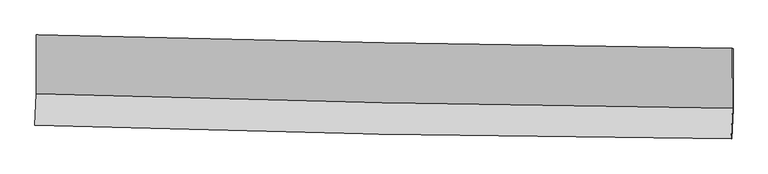
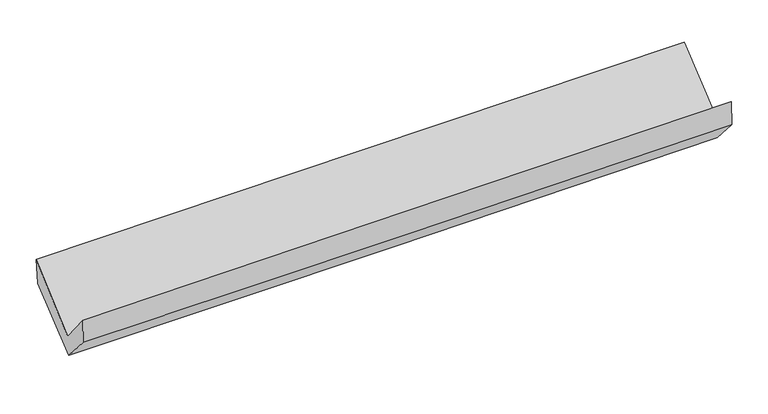
"""IFC4 building model written with IfcOpenShell, lengths in millimetres: proxy geometry."""

import ifcopenshell
import ifcopenshell.guid

model = None  # the IFC model being written
_history = None  # IfcOwnerHistory: only IFC2X3 demands one
_inside = {}  # id of a spatial element -> (the spatial element, [elements in it])
_under = {}  # id of a project, library or spatial element -> (it, [spatial elements below it])
_declared = {}  # id of a project -> (the project, [libraries it declares])
_typed = {}  # id of a type object -> (the type object, [elements of that type])
_made_of = {}  # id of a material, layer set ... -> (it, [elements and type objects made of it])


def new_model(schema):
    """Start an empty IFC model of exactly this schema.

    Asked for "IFC4X3", IfcOpenShell would pick the latest addendum, in which some entities
    have other attributes; the version numbers below select the first issue.
    IFC2X3 requires an IfcOwnerHistory on every rooted entity: one is made here for all.
    """
    global model, _history
    if schema == "IFC4X3":
        model = ifcopenshell.file(schema_version=(4, 3, 0, 0))
    else:
        model = ifcopenshell.file(schema=schema)
    _inside.clear()
    _under.clear()
    _declared.clear()
    _typed.clear()
    _made_of.clear()
    _history = None
    if model.schema == "IFC2X3":
        org = make("IfcOrganization", Name="unknown")
        user = make(
            "IfcPersonAndOrganization",
            ThePerson=make("IfcPerson", FamilyName="unknown"),
            TheOrganization=org,
        )
        app = make(
            "IfcApplication",
            ApplicationDeveloper=org,
            Version="unknown",
            ApplicationFullName="unknown",
            ApplicationIdentifier="unknown",
        )
        _history = make(
            "IfcOwnerHistory",
            OwningUser=user,
            OwningApplication=app,
            ChangeAction="ADDED",
            CreationDate=0,
        )
    return model


def make(cls, **values):
    """One entity of the class cls with the attributes given. An attribute that is None is left unset."""
    return model.create_entity(
        cls, **{name: value for name, value in values.items() if value is not None}
    )


def rooted(cls, **values):
    """An entity with a GlobalId (a new one), such as an element, a storey or a relation."""
    return make(cls, GlobalId=ifcopenshell.guid.new(), OwnerHistory=_history, **values)


def si_unit(unit_type, name, prefix=None):
    """IfcSIUnit, for example si_unit("LENGTHUNIT", "METRE", prefix="MILLI")."""
    return make("IfcSIUnit", UnitType=unit_type, Prefix=prefix, Name=name)


def assignment(units):
    """IfcUnitAssignment: the units of a project."""
    return None if units is None else make("IfcUnitAssignment", Units=units)


def point(xyz):
    """IfcCartesianPoint."""
    return None if xyz is None else make("IfcCartesianPoint", Coordinates=xyz)


def direction(xyz):
    """IfcDirection."""
    return None if xyz is None else make("IfcDirection", DirectionRatios=xyz)


def frame(location, z_axis=None, x_axis=None):
    """IfcAxis2Placement3D, a coordinate frame: its origin and axes. An axis left out is left unset."""
    return make(
        "IfcAxis2Placement3D",
        Location=point(location),
        Axis=direction(z_axis),
        RefDirection=direction(x_axis),
    )


def origin():
    """The frame at (0, 0, 0) with its axes left unset."""
    return frame((0.0, 0.0, 0.0))


def place(relative_to, where):
    """IfcLocalPlacement: puts the frame where relative to a parent placement (None: the world)."""
    return make(
        "IfcLocalPlacement", PlacementRelTo=relative_to, RelativePlacement=where
    )


def context(
    kind, dimensions, precision=None, world=None, true_north=None, identifier=None
):
    """IfcGeometricRepresentationContext, for example the 3D "Model" context."""
    return make(
        "IfcGeometricRepresentationContext",
        ContextIdentifier=identifier,
        ContextType=kind,
        CoordinateSpaceDimension=dimensions,
        Precision=precision,
        WorldCoordinateSystem=world,
        TrueNorth=true_north,
    )


def project(units=None, contexts=None):
    """IfcProject with its units and contexts."""
    return rooted(
        "IfcProject",
        Name="project",
        RepresentationContexts=contexts,
        UnitsInContext=assignment(units),
    )


def spatial(cls, under=None, at=None, **own):
    """A site, building, storey or space (cls), placed at a placement, below another one or the project."""
    s = rooted(cls, ObjectPlacement=at, **own)
    if under is not None:
        _under.setdefault(under.id(), (under, []))[1].append(s)
    return s


def shape(context_of_items, identifier, shape_type, items):
    """IfcShapeRepresentation: the items that make up one representation, for example the "Body"."""
    return make(
        "IfcShapeRepresentation",
        ContextOfItems=context_of_items,
        RepresentationIdentifier=identifier,
        RepresentationType=shape_type,
        Items=items,
    )


def source(mapping_origin, context_of_items, identifier, shape_type, items):
    """IfcRepresentationMap: a shape defined once, which mapped items show again and again."""
    return make(
        "IfcRepresentationMap",
        MappingOrigin=mapping_origin,
        MappedRepresentation=shape(context_of_items, identifier, shape_type, items),
    )


def transform(
    local_origin,
    x_axis=None,
    y_axis=None,
    z_axis=None,
    scale=None,
    scale2=None,
    scale3=None,
    uniform=True,
):
    """IfcCartesianTransformationOperator3D, or its non-uniform kind. x_axis, y_axis, z_axis: its Axis1, 2, 3."""
    if uniform:
        return make(
            "IfcCartesianTransformationOperator3D",
            Axis1=direction(x_axis),
            Axis2=direction(y_axis),
            LocalOrigin=point(local_origin),
            Scale=scale,
            Axis3=direction(z_axis),
        )
    return make(
        "IfcCartesianTransformationOperator3DnonUniform",
        Axis1=direction(x_axis),
        Axis2=direction(y_axis),
        LocalOrigin=point(local_origin),
        Scale=scale,
        Axis3=direction(z_axis),
        Scale2=scale2,
        Scale3=scale3,
    )


def mapped(mapping_source, mapping_target):
    """IfcMappedItem: shows the shape of a source again, moved by a transform."""
    return make(
        "IfcMappedItem", MappingSource=mapping_source, MappingTarget=mapping_target
    )


def made_of(thing, what):
    """Note that an element or type object is made of a material, layer set ...; save() writes the relation."""
    if what is not None:
        _made_of.setdefault(what.id(), (what, []))[1].append(thing)
    return thing


def element(
    cls,
    number,
    at=None,
    inside=None,
    cuts=None,
    type_object=None,
    material=None,
    context=None,
    identifier="Body",
    shape_type=None,
    held_by="IfcProductDefinitionShape",
    body=None,
    shapes=None,
    **own,
):
    """One element of the class cls, such as IfcWall. Its Tag is "e" and its number.

    at: its placement. inside: the storey or other place that contains it. cuts: it is an
    opening in that element (IfcRelVoidsElement). A single representation is given by context,
    identifier, shape_type and body (its items); several are given by shapes. held_by: the class
    of the entity that holds the representations. save() writes the other relations.
    """
    e = rooted(cls, Tag="e%d" % number, ObjectPlacement=at, **own)
    if body is not None:
        shapes = [shape(context, identifier, shape_type, body)]
    if shapes is not None:
        e.Representation = make(held_by, Representations=shapes)
    if inside is not None:
        _inside.setdefault(inside.id(), (inside, []))[1].append(e)
    if cuts is not None:
        rooted(
            "IfcRelVoidsElement", RelatingBuildingElement=cuts, RelatedOpeningElement=e
        )
    if type_object is not None:
        _typed.setdefault(type_object.id(), (type_object, []))[1].append(e)
    return made_of(e, material)


def aggregate(whole, parts):
    """IfcRelAggregates: a whole, such as a stair, and the parts it consists of."""
    return rooted("IfcRelAggregates", RelatingObject=whole, RelatedObjects=parts)


def save(model, path):
    """Write the relations noted so far, then the file.

    IfcRelAggregates (storeys below a building ...), IfcRelContainedInSpatialStructure (elements
    in a storey), IfcRelDefinesByType, IfcRelAssociatesMaterial and IfcRelDeclares: one each for
    every whole, place, type object, material and project.
    """
    for whole, parts in _under.values():
        aggregate(whole, parts)
    for where, things in _inside.values():
        rooted(
            "IfcRelContainedInSpatialStructure",
            RelatedElements=things,
            RelatingStructure=where,
        )
    for kind, things in _typed.values():
        rooted("IfcRelDefinesByType", RelatedObjects=things, RelatingType=kind)
    for what, things in _made_of.values():
        rooted("IfcRelAssociatesMaterial", RelatedObjects=things, RelatingMaterial=what)
    for by, libraries in _declared.values():
        rooted("IfcRelDeclares", RelatingContext=by, RelatedDefinitions=libraries)
    model.write(path)


def plane_surface(at):
    """IfcPlane: the flat surface through the origin of the frame at, square to its z axis."""
    return make("IfcPlane", Position=at)


def spline_curve(degree, points, multiplicities, knots, weights=None):
    """IfcBSplineCurveWithKnots; with weights, IfcRationalBSplineCurveWithKnots."""
    own = dict(
        Degree=degree,
        ControlPointsList=[point(p) for p in points],
        CurveForm="UNSPECIFIED",
        ClosedCurve=False,
        SelfIntersect=False,
        KnotMultiplicities=multiplicities,
        Knots=knots,
        KnotSpec="UNSPECIFIED",
    )
    if weights is None:
        return make("IfcBSplineCurveWithKnots", **own)
    return make("IfcRationalBSplineCurveWithKnots", WeightsData=weights, **own)


def spline_surface(u_degree, v_degree, points, u_multiplicities, v_multiplicities, u_knots, v_knots, weights=None):
    """IfcBSplineSurfaceWithKnots; with weights, IfcRationalBSplineSurfaceWithKnots. points: one row for each step in u."""
    own = dict(
        UDegree=u_degree,
        VDegree=v_degree,
        ControlPointsList=[[point(p) for p in row] for row in points],
        SurfaceForm="UNSPECIFIED",
        UClosed=False,
        VClosed=False,
        SelfIntersect=False,
        UMultiplicities=u_multiplicities,
        VMultiplicities=v_multiplicities,
        UKnots=u_knots,
        VKnots=v_knots,
        KnotSpec="UNSPECIFIED",
    )
    if weights is None:
        return make("IfcBSplineSurfaceWithKnots", **own)
    return make("IfcRationalBSplineSurfaceWithKnots", WeightsData=weights, **own)


def advanced_brep(points, edges, surfaces, faces):
    """IfcAdvancedBrep: a solid bounded by faces that lie on surfaces and meet in shared edges.

    An edge is (start, end): straight between two places in points (the first is 0);
    or (start, end, curve); or (start, end, curve, False) where it runs against its curve.
    A face is (place in surfaces, loops), or (place, loops, False) where it looks against
    its surface's normal. A loop lists edges by number (the first is 1), with a minus sign
    where the edge is run from its end to its start. The first loop is the outer one.
    """
    corners = [point(p) for p in points]
    vertices = [make("IfcVertexPoint", VertexGeometry=c) for c in corners]
    made = []
    for start, end, *more in edges:
        made.append(
            make(
                "IfcEdgeCurve",
                EdgeStart=vertices[start],
                EdgeEnd=vertices[end],
                EdgeGeometry=more[0] if more else make("IfcPolyline", Points=[corners[start], corners[end]]),
                SameSense=more[1] if len(more) > 1 else True,
            )
        )
    hull = []
    for where, loops, *sense in faces:
        bounds = []
        for j, loop in enumerate(loops):
            ring = [make("IfcOrientedEdge", EdgeElement=made[abs(k) - 1], Orientation=k > 0) for k in loop]
            bounds.append(
                make(
                    "IfcFaceOuterBound" if j == 0 else "IfcFaceBound",
                    Bound=make("IfcEdgeLoop", EdgeList=ring),
                    Orientation=True,
                )
            )
        hull.append(make("IfcAdvancedFace", Bounds=bounds, FaceSurface=surfaces[where], SameSense=sense[0] if sense else True))
    return make("IfcAdvancedBrep", Outer=make("IfcClosedShell", CfsFaces=hull))


def generic_models_a2cfbff2(model_context):
    return source(origin(), model_context, "Body", "AdvancedBrep", [
        advanced_brep(
        [(-3015.3014028, -1155.7971837, 2198.7371949), (-3013.593969, -1664.6053274, 1741.8568949), (3003.3869862, -1789.365775, 1886.7563456), (3002.4266167, -1272.6644293, 2318.5968493), (-3026.3574423, -1935.2416451, 2066.6574798), (2990.9409726, -2053.2489031, 2203.4948497), (-3020.8544474, -1929.3402161, 1842.5817706), (2996.3881402, -2052.8598393, 1977.5562633), (-3009.3332723, -1676.6851618, 1555.7367151), (3008.0659359, -1796.7701518, 1686.8117902), (-3009.9304692, -1170.9515733, 1964.1739886), (3007.4503723, -1275.4827262, 2107.8105524)],
        [
            (0, 1),
            (1, 2, spline_curve(3, [(-3013.593969, -1664.6053274, 1741.8568949), (-2011.210117498, -1695.700384769, 1776.663651875), (-1008.602331948, -1721.644625398, 1806.141995182), (997.057988164, -1763.231409526, 1854.441778903), (2000.110520959, -1778.873984598, 1873.263252461), (3003.3869862, -1789.365775, 1886.7563456)], [4, 2, 4], [0.0, 9.875523232692839, 19.75101574879205])),
            (2, 3),
            (3, 0, spline_curve(3, [(3002.4266167, -1272.6644293, 2318.5968493), (1999.269907606, -1258.299419709, 2303.068103442), (996.214997644, -1241.377997151, 2285.315445037), (-1009.694342615, -1202.422264265, 2245.362240428), (-2012.548772597, -1180.387938699, 2223.161680981), (-3015.3014028, -1155.7971837, 2198.7371949)], [4, 2, 4], [0.0, 9.87549251609921, 19.75101574879205])),
            (1, 4),
            (4, 5, spline_curve(3, [(-3026.3574423, -1935.2416451, 2066.6574798), (-2024.027900278, -1967.477013386, 2102.854831256), (-1021.42081429, -1993.428641222, 2132.356628664), (984.345325942, -2032.764355003, 2177.9690434), (1987.504378091, -2046.14847967, 2194.079702962), (2990.9409726, -2053.2489031, 2203.4948497)], [4, 2, 4], [0.0, 9.875700339779614, 19.75136996241473])),
            (5, 2),
            (4, 6),
            (6, 7, spline_curve(3, [(-3020.8544474, -1929.3402161, 1842.5817706), (-2018.031717683, -1953.059207479, 1864.756144212), (-1015.182690515, -1975.212018939, 1887.091223094), (990.564838795, -2016.385216629, 1932.082721536), (1993.463341099, -2035.405613371, 1954.739140458), (2996.3881402, -2052.8598393, 1977.5562633)], [4, 2, 4], [0.0, 9.875498084389674, 19.75096545226394])),
            (7, 5),
            (6, 8),
            (8, 9, spline_curve(3, [(-3009.3332723, -1676.6851618, 1555.7367151), (-2006.534223576, -1700.923473253, 1578.500684547), (-1003.683985566, -1723.049724046, 1600.805608653), (1002.115750965, -1763.078040702, 1644.497297398), (2005.06524874, -1780.980120291, 1665.884065083), (3008.0659359, -1796.7701518, 1686.8117902)], [4, 2, 4], [0.0, 9.875398389056409, 19.750766061907502])),
            (9, 7),
            (8, 10),
            (10, 11, spline_curve(3, [(-3009.9304692, -1170.9515733, 1964.1739886), (-2007.131423027, -1195.187787917, 1986.939651745), (-1004.282716551, -1216.01683293, 2010.292216491), (1001.51089736, -1250.860529482, 2058.171074449), (2004.455804871, -1264.875202002, 2082.69736453), (3007.4503723, -1275.4827262, 2107.8105524)], [4, 2, 4], [0.0, 9.87539599100416, 19.750761265810464])),
            (11, 9),
            (10, 0),
            (3, 11),
        ],
        [
            spline_surface(3, 3, [[(-3015.3014028, -1155.7971837, 2198.7371949), (-2012.548772707, -1180.3879386, 2223.161680952), (-1009.694342713, -1202.422264396, 2245.362240582), (996.214997742, -1241.37799702, 2285.315444883), (1999.269907604, -1258.299419771, 2303.068103381), (3002.4266167, -1272.6644293, 2318.5968493)], [(-3014.732258184, -1325.399898251, 2046.443761554), (-2012.102554243, -1352.158753972, 2074.329004599), (-1009.330339079, -1375.496384787, 2098.955492096), (996.495994486, -1415.329134477, 2141.690889554), (1999.550112036, -1431.824274657, 2159.799819779), (3002.746739888, -1444.898211191, 2174.650014735)], [(-3014.163113616, -1495.002612849, 1894.150328246), (-2011.656335827, -1523.929569392, 1925.496328283), (-1008.966335419, -1548.57050516, 1952.548743643), (996.776991257, -1589.280271917, 1998.066334257), (1999.830316405, -1605.34912957, 2016.53153617), (3003.066863012, -1617.131993109, 2030.703180165)], [(-3013.593969, -1664.6053274, 1741.8568949), (-2011.210117363, -1695.700384764, 1776.663651931), (-1008.602331785, -1721.64462555, 1806.141995157), (997.057988001, -1763.231409375, 1854.441778928), (2000.110520837, -1778.873984456, 1873.263252567), (3003.3869862, -1789.365775, 1886.7563456)]], [4, 4], [4, 2, 4], [0.0, 2.2257216114967746], [0.0, 9.875523232692839, 19.75101574879205]),
            spline_surface(3, 3, [[(-3013.593969, -1664.6053274, 1741.8568949), (-2011.210117363, -1695.700384764, 1776.663651931), (-1008.602331785, -1721.64462555, 1806.141995157), (997.057988001, -1763.231409375, 1854.441778928), (2000.110520837, -1778.873984456, 1873.263252567), (3003.3869862, -1789.365775, 1886.7563456)], [(-3017.848460099, -1754.817433312, 1850.123756525), (-2015.482711616, -1786.292594344, 1885.394045056), (-1012.875159251, -1812.239297485, 1914.880206285), (992.820433939, -1853.075724563, 1962.284200459), (1995.90847328, -1867.965482892, 1980.202069333), (2999.238314978, -1877.326817721, 1992.335846938)], [(-3022.102951201, -1845.029539188, 1958.390618175), (-2019.755305873, -1876.884803887, 1994.124438208), (-1017.147986707, -1902.833969385, 2023.618417414), (988.582879886, -1942.920039717, 2070.126621991), (1991.706425788, -1957.056981265, 2087.140886184), (2995.089643822, -1965.287860379, 2097.915348362)], [(-3026.3574423, -1935.2416451, 2066.6574798), (-2024.027900126, -1967.477013466, 2102.854831333), (-1021.420814173, -1993.42864132, 2132.356628542), (984.345325824, -2032.764354906, 2177.969043522), (1987.50437823, -2046.148479702, 2194.079702951), (2990.9409726, -2053.2489031, 2203.4948497)]], [4, 4], [4, 2, 4], [0.0, 1.3879159211594998], [0.0, 9.875700339779614, 19.75136996241473]),
            spline_surface(3, 3, [[(-3026.3574423, -1935.2416451, 2066.6574798), (-2024.027900126, -1967.477013466, 2102.854831333), (-1021.420814173, -1993.42864132, 2132.356628542), (984.345325824, -2032.764354906, 2177.969043522), (1987.50437823, -2046.148479702, 2194.079702951), (2990.9409726, -2053.2489031, 2203.4948497)], [(-3024.523110685, -1933.274502103, 1991.965576746), (-2022.029172637, -1962.671078168, 2023.488602287), (-1019.341439636, -1987.356433809, 2050.601493385), (986.418496812, -2027.304642194, 2096.006936225), (1989.490699144, -2042.567524221, 2114.299515409), (2992.756695134, -2053.119215156, 2128.181987577)], [(-3022.688779015, -1931.307359097, 1917.273673654), (-2020.030445093, -1957.86514286, 1944.122373202), (-1017.262065072, -1981.284226303, 1968.846358191), (988.491667828, -2021.844929488, 2014.044828892), (1991.477020057, -2038.986568771, 2034.519327835), (2994.572417666, -2052.989527244, 2052.869125423)], [(-3020.8544474, -1929.3402161, 1842.5817706), (-2018.031717604, -1953.059207562, 1864.756144156), (-1015.182690536, -1975.212018791, 1887.091223034), (990.564838816, -2016.385216777, 1932.082721596), (1993.463340971, -2035.40561329, 1954.739140294), (2996.3881402, -2052.8598393, 1977.5562633)]], [4, 4], [4, 2, 4], [0.0, 0.8079498355714718], [0.0, 9.875498084389674, 19.75096545226394]),
            spline_surface(3, 3, [[(-3020.8544474, -1929.3402161, 1842.5817706), (-2018.031717604, -1953.059207562, 1864.756144156), (-1015.182690536, -1975.212018791, 1887.091223034), (990.564838816, -2016.385216777, 1932.082721596), (1993.463340971, -2035.40561329, 1954.739140294), (2996.3881402, -2052.8598393, 1977.5562633)], [(-3017.014055704, -1845.121864678, 1746.966752101), (-2014.199219646, -1869.013962847, 1769.337657656), (-1011.349788851, -1891.15792052, 1791.662684889), (994.415142852, -1931.949491459, 1836.220913547), (1997.33064358, -1950.597115616, 1858.454115271), (3000.280738795, -1967.496610136, 1880.641438944)], [(-3013.173663996, -1760.903513222, 1651.351733599), (-2010.366721676, -1784.968718097, 1673.919171154), (-1007.516887188, -1807.103822222, 1696.234146746), (998.265446867, -1847.513766115, 1740.359105499), (2001.197946104, -1865.788617932, 1762.169090217), (3004.173337305, -1882.133380964, 1783.726614556)], [(-3009.3332723, -1676.6851618, 1555.7367151), (-2006.534223717, -1700.923473382, 1578.500684654), (-1003.683985504, -1723.04972395, 1600.805608601), (1002.115750903, -1763.078040798, 1644.49729745), (2005.065248714, -1780.980120257, 1665.884065194), (3008.0659359, -1796.7701518, 1686.8117902)]], [4, 4], [4, 2, 4], [0.0, 1.2550645272320522], [0.0, 9.875398389056409, 19.750766061907502]),
            spline_surface(3, 3, [[(-3009.3332723, -1676.6851618, 1555.7367151), (-2006.534223717, -1700.923473382, 1578.500684654), (-1003.683985504, -1723.04972395, 1600.805608601), (1002.115750903, -1763.078040798, 1644.49729745), (2005.065248714, -1780.980120257, 1665.884065194), (3008.0659359, -1796.7701518, 1686.8117902)], [(-3009.532337914, -1508.107298949, 1691.882472923), (-2006.733290156, -1532.344911561, 1714.647006975), (-1003.883562546, -1554.038760272, 1737.301144499), (1001.914133103, -1592.338870323, 1782.388556488), (2004.862100763, -1608.945147526, 1804.821831627), (3007.860748023, -1623.007676612, 1827.144710938)], [(-3009.731403586, -1339.529436151, 1828.028230777), (-2006.932356654, -1363.766349794, 1850.793329326), (-1004.083139621, -1385.027796656, 1873.796680437), (1001.712515271, -1421.599699909, 1920.279815567), (2004.658952842, -1436.910174758, 1943.759598045), (3007.655560177, -1449.245201388, 1967.477631662)], [(-3009.9304692, -1170.9515733, 1964.1739886), (-2007.131423093, -1195.187787972, 1986.939651647), (-1004.282716662, -1216.016832978, 2010.292216334), (1001.510897471, -1250.860529433, 2058.171074605), (2004.455804891, -1264.875202027, 2082.697364478), (3007.4503723, -1275.4827262, 2107.8105524)]], [4, 4], [4, 2, 4], [0.0, 2.1491791494123995], [0.0, 9.87539599100416, 19.750761265810464]),
            spline_surface(3, 3, [[(-3009.9304692, -1170.9515733, 1964.1739886), (-2007.131423093, -1195.187787972, 1986.939651647), (-1004.282716662, -1216.016832978, 2010.292216334), (1001.510897471, -1250.860529433, 2058.171074605), (2004.455804891, -1264.875202027, 2082.697364478), (3007.4503723, -1275.4827262, 2107.8105524)], [(-3011.720780415, -1165.900110108, 2042.361724051), (-2008.937206313, -1190.254504856, 2065.680328099), (-1006.08659201, -1211.485310114, 2088.648891096), (999.745597564, -1247.699685291, 2133.88586471), (2002.727172444, -1262.683274592, 2156.154277446), (3005.775787082, -1274.543293884, 2178.072651367)], [(-3013.511091585, -1160.848646892, 2120.549459449), (-2010.742989487, -1185.321221717, 2144.421004499), (-1007.890467366, -1206.953787261, 2167.00556582), (997.980297649, -1244.538841162, 2209.600654778), (2000.998540051, -1260.491347206, 2229.611190413), (3004.101201918, -1273.603861616, 2248.334750333)], [(-3015.3014028, -1155.7971837, 2198.7371949), (-2012.548772707, -1180.3879386, 2223.161680952), (-1009.694342713, -1202.422264396, 2245.362240582), (996.214997742, -1241.37799702, 2285.315444883), (1999.269907604, -1258.299419771, 2303.068103381), (3002.4266167, -1272.6644293, 2318.5968493)]], [4, 4], [4, 2, 4], [0.0, 0.7593733635959085], [0.0, 9.875422319330768, 19.750813922381788]),
            plane_surface(frame((3001.4431706, -1706.7319708, 2030.1711084), z_axis=(0.9995436499621435, -0.018256216497739147, 0.02406662376703352), x_axis=(-0.0009186688933395495, 0.7779708200237772, 0.6282997367809382))),
            plane_surface(frame((-3015.8951672, -1588.7701846, 1894.9573406), z_axis=(-0.9995436499621404, 0.018256216497806003, -0.02406662376711558), x_axis=(0.022843994872958247, -0.06445560877089297, -0.9976590732290355))),
        ],
        [
            (0, [[1, 2, 3, 4]]),
            (1, [[5, 6, 7, -2]]),
            (2, [[8, 9, 10, -6]]),
            (3, [[11, 12, 13, -9]]),
            (4, [[14, 15, 16, -12]]),
            (5, [[17, -4, 18, -15]]),
            (6, [[-16, -18, -3, -7, -10, -13]]),
            (7, [[-17, -14, -11, -8, -5, -1]]),
        ],
    ),
    ])


if __name__ == "__main__":
    model = new_model("IFC4")
    model_context = context("Model", 3, world=origin())
    ifc_project = project(units=[si_unit("LENGTHUNIT", "METRE", prefix="MILLI")], contexts=[model_context])
    site = spatial("IfcSite", under=ifc_project)
    building = spatial("IfcBuilding", under=site)
    placement = place(None, origin())
    generic_models_shape = generic_models_a2cfbff2(model_context)
    element("IfcBuildingElementProxy", 1, Name="Generic Models", at=placement, inside=building, context=model_context, shape_type="MappedRepresentation", body=[
        mapped(generic_models_shape, transform((0.0, 0.0, 0.0), x_axis=(1.0, 0.0, 0.0), y_axis=(0.0, 1.0, 0.0), z_axis=(0.0, 0.0, 1.0))),
    ])
    save(model, "model.ifc")
